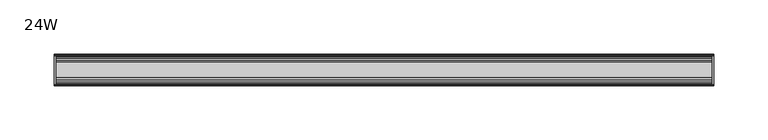
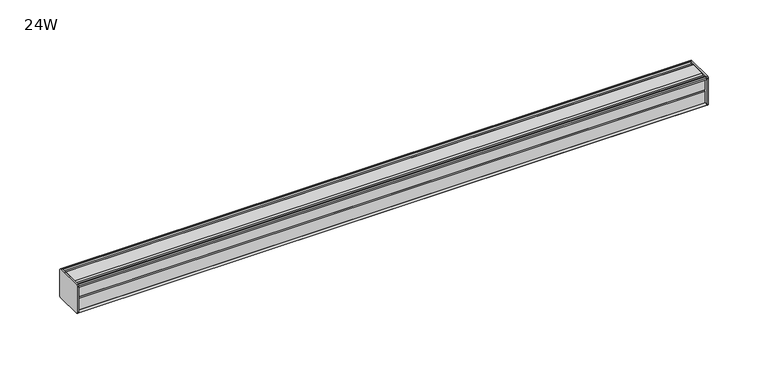
"""IFC4 building model written with IfcOpenShell, lengths in millimetres: furniture geometry, 24W."""

from ifc_helpers import new_model, si_unit, frame, origin, place, context, project, spatial, circle_curve, source, transform, mapped, element, save
from ifc_brep_helpers import plane_surface, cylinder_surface, advanced_brep


def furniture_24w_2cb5860f(model_context):
    return source(origin(), model_context, "Body", "AdvancedBrep", [
        advanced_brep(
        [(303.2125, 14.5851562, 1399.3436262), (303.2125, 14.5851562, 1373.1932877), (303.2125, 14.4138595, 1372.3873997), (303.2125, 13.8374434, 1371.8109837), (303.2125, 12.9019306, 1371.5603131), (303.2125, -13.4067434, 1371.5603131), (303.2125, -14.3040014, 1372.4575711), (303.2125, -14.5851563, 1373.2259798), (303.2125, -14.5851563, 1399.1443327), (303.2125, -14.3040014, 1399.9127414), (303.2125, -13.4464303, 1400.7703125), (303.2125, 13.0500437, 1400.7703125), (303.2125, 13.8374434, 1400.5593288), (303.2125, 14.4138595, 1399.9829128), (304.8, 14.6248431, 1399.1955131), (304.8, 14.4138595, 1399.9829128), (304.8, 13.8374434, 1400.5593288), (304.8, 13.0500437, 1400.7703125), (304.8, -13.4464303, 1400.7703125), (304.8, -14.3040014, 1399.9127414), (304.8, -14.5851563, 1399.1443327), (304.8, -14.5851563, 1373.2259798), (304.8, -14.3040014, 1372.4575711), (304.8, -13.4067434, 1371.5603131), (304.8, 12.9019306, 1371.5603131), (304.8, 13.8374434, 1371.8109837), (304.8, 14.4138595, 1372.3873997), (304.8, 14.5851562, 1373.1932877)],
        [
            (0, 1),
            (1, 2),
            (2, 3),
            (3, 4),
            (4, 5),
            (5, 6),
            (6, 7, circle_curve(frame((303.2125, -13.3945313, 1373.2259798), z_axis=(-1.0, 0.0, 0.0), x_axis=(0.0, 1.0, 0.0)), 1.190625)),
            (7, 8),
            (8, 9, circle_curve(frame((303.2125, -13.3945313, 1399.1443327), z_axis=(-1.0, 0.0, 0.0), x_axis=(0.0, 1.0, 0.0)), 1.190625)),
            (9, 10),
            (10, 11),
            (11, 12),
            (12, 13),
            (13, 0),
            (14, 15),
            (15, 16),
            (16, 17),
            (17, 18),
            (18, 19),
            (19, 20, circle_curve(frame((304.8, -13.3945313, 1399.1443327), z_axis=(1.0, 0.0, 0.0), x_axis=(0.0, 1.0, 0.0)), 1.190625)),
            (20, 21),
            (21, 22, circle_curve(frame((304.8, -13.3945313, 1373.2259798), z_axis=(1.0, 0.0, 0.0), x_axis=(0.0, 1.0, 0.0)), 1.190625)),
            (22, 23),
            (23, 24),
            (24, 25),
            (25, 26),
            (26, 27),
            (27, 14),
            (13, 15),
            (14, 0),
            (12, 16),
            (11, 17),
            (10, 18),
            (9, 19),
            (8, 20),
            (7, 21),
            (6, 22),
            (5, 23),
            (4, 24),
            (3, 25),
            (2, 26),
            (1, 27),
        ],
        [
            plane_surface(frame((303.2125, 14.5851562, 1373.1932877), z_axis=(-1.0, 0.0, 0.0), x_axis=(0.0, 0.0, -1.0))),
            plane_surface(frame((304.8, 14.5851562, 1373.1932877), z_axis=(1.0, 0.0, 0.0), x_axis=(0.0, 0.0, 1.0))),
            plane_surface(frame((303.2125, 14.4138595, 1399.9829128), z_axis=(0.0, 0.9659256560349851, 0.25881968049857335), x_axis=(1.0, 0.0, 0.0))),
            plane_surface(frame((303.2125, 13.8374434, 1400.5593288), z_axis=(0.0, 0.7071067811866345, 0.7071067811864606), x_axis=(1.0, 0.0, 0.0))),
            plane_surface(frame((303.2125, 13.0500437, 1400.7703125), z_axis=(0.0, 0.2588196804711877, 0.9659256560423232), x_axis=(1.0, 0.0, 0.0))),
            plane_surface(frame((303.2125, -13.4464303, 1400.7703125), z_axis=(0.0, 0.0, 1.0), x_axis=(1.0, 0.0, 0.0))),
            plane_surface(frame((303.2125, -14.3040014, 1399.9127414), z_axis=(0.0, -0.70710678117674, 0.7071067811963553), x_axis=(1.0, 0.0, 0.0))),
            cylinder_surface(frame((304.8, -13.3945313, 1399.1443327), z_axis=(-1.0, 0.0, 0.0), x_axis=(0.0, 1.0, 0.0)), 1.190625),
            plane_surface(frame((303.2125, -14.5851563, 1373.2259798), z_axis=(0.0, -1.0, 0.0), x_axis=(1.0, 0.0, 0.0))),
            cylinder_surface(frame((304.8, -13.3945313, 1373.2259798), z_axis=(-1.0, 0.0, 0.0), x_axis=(0.0, 1.0, 0.0)), 1.190625),
            plane_surface(frame((303.2125, -13.4067434, 1371.5603131), z_axis=(0.0, -0.7071067811916545, -0.7071067811814407), x_axis=(1.0, 0.0, 0.0))),
            plane_surface(frame((303.2125, 12.9019306, 1371.5603131), z_axis=(0.0, 0.0, -1.0), x_axis=(1.0, 0.0, 0.0))),
            plane_surface(frame((303.2125, 13.8374434, 1371.8109837), z_axis=(0.0, 0.2588196804985645, -0.9659256560349875), x_axis=(1.0, 0.0, 0.0))),
            plane_surface(frame((303.2125, 14.4138595, 1372.3873997), z_axis=(0.0, 0.7071067811865204, -0.7071067811865748), x_axis=(1.0, 0.0, 0.0))),
            plane_surface(frame((303.2125, 14.5851562, 1373.1932877), z_axis=(0.0, 0.9781476007310527, -0.207911690830711), x_axis=(1.0, 0.0, 0.0))),
            plane_surface(frame((303.2125, 14.5851562, 1399.3436262), z_axis=(0.0, 1.0, 0.0), x_axis=(1.0, 0.0, 0.0))),
        ],
        [
            (0, [[1, 2, 3, 4, 5, 6, 7, 8, 9, 10, 11, 12, 13, 14]]),
            (1, [[15, 16, 17, 18, 19, 20, 21, 22, 23, 24, 25, 26, 27, 28]]),
            (2, [[-14, 29, -15, 30]]),
            (3, [[-13, 31, -16, -29]]),
            (4, [[-12, 32, -17, -31]]),
            (5, [[-11, 33, -18, -32]]),
            (6, [[-10, 34, -19, -33]]),
            (7, [[-9, 35, -20, -34]]),
            (8, [[-8, 36, -21, -35]]),
            (9, [[-7, 37, -22, -36]]),
            (10, [[-6, 38, -23, -37]]),
            (11, [[-5, 39, -24, -38]]),
            (12, [[-4, 40, -25, -39]]),
            (13, [[-3, 41, -26, -40]]),
            (14, [[-2, 42, -27, -41]]),
            (15, [[-1, -30, -28, -42]]),
        ],
    ),
        advanced_brep(
        [(-303.2125, 14.6248431, 1399.1955131), (-303.2125, 14.4138595, 1399.9829128), (-303.2125, 13.8374434, 1400.5593288), (-303.2125, 13.0500437, 1400.7703125), (-303.2125, -13.4464303, 1400.7703125), (-303.2125, -14.3040014, 1399.9127414), (-303.2125, -14.5851563, 1399.1443327), (-303.2125, -14.5851563, 1373.2259798), (-303.2125, -14.3040014, 1372.4575711), (-303.2125, -13.4067434, 1371.5603131), (-303.2125, 12.9019306, 1371.5603131), (-303.2125, 13.8374434, 1371.8109837), (-303.2125, 14.4138595, 1372.3873997), (-303.2125, 14.5851562, 1373.1932877), (-304.8, 14.5851562, 1399.3436262), (-304.8, 14.5851562, 1373.1932877), (-304.8, 14.4138595, 1372.3873997), (-304.8, 13.8374434, 1371.8109837), (-304.8, 12.9019306, 1371.5603131), (-304.8, -13.4067434, 1371.5603131), (-304.8, -14.3040014, 1372.4575711), (-304.8, -14.5851563, 1373.2259798), (-304.8, -14.5851563, 1399.1443327), (-304.8, -14.3040014, 1399.9127414), (-304.8, -13.4464303, 1400.7703125), (-304.8, 13.0500437, 1400.7703125), (-304.8, 13.8374434, 1400.5593288), (-304.8, 14.4138595, 1399.9829128)],
        [
            (0, 1),
            (1, 2),
            (2, 3),
            (3, 4),
            (4, 5),
            (5, 6, circle_curve(frame((-303.2125, -13.3945313, 1399.1443327), z_axis=(1.0, 0.0, 0.0), x_axis=(0.0, 1.0, 0.0)), 1.190625)),
            (6, 7),
            (7, 8, circle_curve(frame((-303.2125, -13.3945313, 1373.2259798), z_axis=(1.0, 0.0, 0.0), x_axis=(0.0, 1.0, 0.0)), 1.190625)),
            (8, 9),
            (9, 10),
            (10, 11),
            (11, 12),
            (12, 13),
            (13, 0),
            (14, 15),
            (15, 16),
            (16, 17),
            (17, 18),
            (18, 19),
            (19, 20),
            (20, 21, circle_curve(frame((-304.8, -13.3945313, 1373.2259798), z_axis=(-1.0, 0.0, 0.0), x_axis=(0.0, 1.0, 0.0)), 1.190625)),
            (21, 22),
            (22, 23, circle_curve(frame((-304.8, -13.3945313, 1399.1443327), z_axis=(-1.0, 0.0, 0.0), x_axis=(0.0, 1.0, 0.0)), 1.190625)),
            (23, 24),
            (24, 25),
            (25, 26),
            (26, 27),
            (27, 14),
            (0, 14),
            (27, 1),
            (26, 2),
            (25, 3),
            (24, 4),
            (23, 5),
            (22, 6),
            (21, 7),
            (20, 8),
            (19, 9),
            (18, 10),
            (17, 11),
            (16, 12),
            (15, 13),
        ],
        [
            plane_surface(frame((-303.2125, 14.6248431, 1399.1955131), z_axis=(1.0, 0.0, 0.0), x_axis=(0.0, -0.2588196804390474, 0.965925656050935))),
            plane_surface(frame((-304.8, 14.6248431, 1399.1955131), z_axis=(-1.0, 0.0, 0.0), x_axis=(0.0, 0.2588196804390474, -0.965925656050935))),
            plane_surface(frame((-303.2125, 14.6248431, 1399.1955131), z_axis=(0.0, 0.965925656050935, 0.2588196804390474), x_axis=(-1.0, 0.0, 0.0))),
            plane_surface(frame((-303.2125, 14.4138595, 1399.9829128), z_axis=(0.0, 0.7071067810676273, 0.7071067813054679), x_axis=(-1.0, 0.0, 0.0))),
            plane_surface(frame((-303.2125, 13.8374434, 1400.5593288), z_axis=(0.0, 0.25881968048355775, 0.9659256560390086), x_axis=(-1.0, 0.0, 0.0))),
            plane_surface(frame((-303.2125, 13.0500437, 1400.7703125), z_axis=(0.0, 0.0, 1.0), x_axis=(-1.0, 0.0, 0.0))),
            plane_surface(frame((-303.2125, -13.4464303, 1400.7703125), z_axis=(0.0, -0.7071067811880228, 0.7071067811850722), x_axis=(-1.0, 0.0, 0.0))),
            cylinder_surface(frame((-304.8, -13.3945313, 1399.1443327), z_axis=(1.0, 0.0, 0.0), x_axis=(0.0, 1.0, 0.0)), 1.190625),
            plane_surface(frame((-303.2125, -14.5851563, 1399.1443327), z_axis=(0.0, -1.0, 0.0), x_axis=(-1.0, 0.0, 0.0))),
            cylinder_surface(frame((-304.8, -13.3945313, 1373.2259798), z_axis=(1.0, 0.0, 0.0), x_axis=(0.0, 1.0, 0.0)), 1.190625),
            plane_surface(frame((-303.2125, -14.3040014, 1372.4575711), z_axis=(0.0, -0.707106781186535, -0.7071067811865601), x_axis=(-1.0, 0.0, 0.0))),
            plane_surface(frame((-303.2125, -13.4067434, 1371.5603131), z_axis=(0.0, 0.0, -1.0), x_axis=(-1.0, 0.0, 0.0))),
            plane_surface(frame((-303.2125, 12.9019306, 1371.5603131), z_axis=(0.0, 0.25881968049856513, -0.9659256560349874), x_axis=(-1.0, 0.0, 0.0))),
            plane_surface(frame((-303.2125, 13.8374434, 1371.8109837), z_axis=(0.0, 0.707106781186519, -0.7071067811865761), x_axis=(-1.0, 0.0, 0.0))),
            plane_surface(frame((-303.2125, 14.4138595, 1372.3873997), z_axis=(0.0, 0.9781476007314348, -0.20791169082891317), x_axis=(-1.0, 0.0, 0.0))),
            plane_surface(frame((-303.2125, 14.5851562, 1373.1932877), z_axis=(0.0, 1.0, 0.0), x_axis=(-1.0, 0.0, 0.0))),
        ],
        [
            (0, [[1, 2, 3, 4, 5, 6, 7, 8, 9, 10, 11, 12, 13, 14]]),
            (1, [[15, 16, 17, 18, 19, 20, 21, 22, 23, 24, 25, 26, 27, 28]]),
            (2, [[-1, 29, -28, 30]]),
            (3, [[-2, -30, -27, 31]]),
            (4, [[-3, -31, -26, 32]]),
            (5, [[-4, -32, -25, 33]]),
            (6, [[-5, -33, -24, 34]]),
            (7, [[-6, -34, -23, 35]]),
            (8, [[-7, -35, -22, 36]]),
            (9, [[-8, -36, -21, 37]]),
            (10, [[-9, -37, -20, 38]]),
            (11, [[-10, -38, -19, 39]]),
            (12, [[-11, -39, -18, 40]]),
            (13, [[-12, -40, -17, 41]]),
            (14, [[-13, -41, -16, 42]]),
            (15, [[-14, -42, -15, -29]]),
        ],
    ),
        advanced_brep(
        [(303.2125, -7.3748315, 1400.7703125), (303.2125, -8.9105708, 1399.7395796), (303.2125, -10.7601399, 1399.7395796), (303.2125, -12.2958792, 1400.7703125), (303.2125, -13.4464303, 1400.7703125), (303.2125, -14.3040014, 1399.9127414), (303.2125, -13.3945313, 1397.9537077), (303.2125, -13.3945313, 1398.865312), (303.2125, -12.2039063, 1398.865312), (303.2125, -12.2039063, 1386.9590632), (303.2125, -11.4101564, 1386.1653134), (303.2125, -12.2039063, 1385.3715636), (303.2125, -12.2039063, 1373.4653131), (303.2125, -13.3945313, 1373.4653131), (303.2125, -13.3945313, 1374.4166048), (303.2125, -14.3040014, 1372.4575711), (303.2125, -13.4067434, 1371.5603131), (303.2125, -12.2958792, 1371.5603131), (303.2125, -10.7601399, 1372.5910471), (303.2125, -8.9105708, 1372.5910471), (303.2125, -7.4339628, 1371.6), (303.2125, 7.4145184, 1371.6), (303.2125, 8.9502576, 1372.6307329), (303.2125, 10.7998291, 1372.6307329), (303.2125, 12.2275037, 1371.6), (303.2125, 13.0500437, 1371.6), (303.2125, 13.8374434, 1371.8109837), (303.2125, 14.4138595, 1372.3873997), (303.2125, 14.5851562, 1373.1932877), (303.2125, 14.5851562, 1399.3436262), (303.2125, 14.4138595, 1399.9829128), (303.2125, 13.8374434, 1400.5593288), (303.2125, 13.0500437, 1400.7703125), (303.2125, 12.2275037, 1400.7703125), (303.2125, 10.7998291, 1399.7395796), (303.2125, 8.9502576, 1399.7395796), (303.2125, 7.4145184, 1400.7703125), (-303.2125, -7.3748315, 1400.7703125), (-303.2125, 7.4145184, 1400.7703125), (-303.2125, 8.9502576, 1399.7395796), (-303.2125, 10.7998291, 1399.7395796), (-303.2125, 12.2275037, 1400.7703125), (-303.2125, 13.0500437, 1400.7703125), (-303.2125, 13.8374434, 1400.5593288), (-303.2125, 14.4138595, 1399.9829128), (-303.2125, 14.6248431, 1399.1955131), (-303.2125, 14.5851562, 1373.1932877), (-303.2125, 14.4138595, 1372.3873997), (-303.2125, 13.8374434, 1371.8109837), (-303.2125, 13.0500437, 1371.6), (-303.2125, 12.2275037, 1371.6), (-303.2125, 10.7998291, 1372.6307329), (-303.2125, 8.9502576, 1372.6307329), (-303.2125, 7.4145184, 1371.6), (-303.2125, -7.4339628, 1371.6), (-303.2125, -8.9105708, 1372.5910471), (-303.2125, -10.7601399, 1372.5910471), (-303.2125, -12.2958792, 1371.5603131), (-303.2125, -13.4067434, 1371.5603131), (-303.2125, -14.3040014, 1372.4575711), (-303.2125, -13.3945313, 1374.4166048), (-303.2125, -13.3945313, 1373.4653131), (-303.2125, -12.2039063, 1373.4653131), (-303.2125, -12.2039063, 1385.3715636), (-303.2125, -11.4101564, 1386.1653134), (-303.2125, -12.2039063, 1386.9590632), (-303.2125, -12.2039063, 1398.865312), (-303.2125, -13.3945313, 1398.865312), (-303.2125, -13.3945313, 1397.9537077), (-303.2125, -14.3040014, 1399.9127414), (-303.2125, -13.4464303, 1400.7703125), (-303.2125, -12.2958792, 1400.7703125), (-303.2125, -10.7601399, 1399.7395796), (-303.2125, -8.9105708, 1399.7395796)],
        [
            (0, 1),
            (1, 2),
            (2, 3),
            (3, 4),
            (4, 5),
            (5, 6, circle_curve(frame((303.2125, -13.3945313, 1399.1443327), z_axis=(1.0, 0.0, 0.0), x_axis=(0.0, 1.0, 0.0)), 1.190625)),
            (6, 7),
            (7, 8),
            (8, 9),
            (9, 10),
            (10, 11),
            (11, 12),
            (12, 13),
            (13, 14),
            (14, 15, circle_curve(frame((303.2125, -13.3945313, 1373.2259798), z_axis=(1.0, 0.0, 0.0), x_axis=(0.0, 1.0, 0.0)), 1.190625)),
            (15, 16),
            (16, 17),
            (17, 18),
            (18, 19),
            (19, 20),
            (20, 21),
            (21, 22),
            (22, 23),
            (23, 24),
            (24, 25),
            (25, 26),
            (26, 27),
            (27, 28),
            (28, 29),
            (29, 30),
            (30, 31),
            (31, 32),
            (32, 33),
            (33, 34),
            (34, 35),
            (35, 36),
            (36, 0),
            (37, 38),
            (38, 39),
            (39, 40),
            (40, 41),
            (41, 42),
            (42, 43),
            (43, 44),
            (44, 45),
            (45, 46),
            (46, 47),
            (47, 48),
            (48, 49),
            (49, 50),
            (50, 51),
            (51, 52),
            (52, 53),
            (53, 54),
            (54, 55),
            (55, 56),
            (56, 57),
            (57, 58),
            (58, 59),
            (59, 60, circle_curve(frame((-303.2125, -13.3945313, 1373.2259798), z_axis=(-1.0, 0.0, 0.0), x_axis=(0.0, 1.0, 0.0)), 1.190625)),
            (60, 61),
            (61, 62),
            (62, 63),
            (63, 64),
            (64, 65),
            (65, 66),
            (66, 67),
            (67, 68),
            (68, 69, circle_curve(frame((-303.2125, -13.3945313, 1399.1443327), z_axis=(-1.0, 0.0, 0.0), x_axis=(0.0, 1.0, 0.0)), 1.190625)),
            (69, 70),
            (70, 71),
            (71, 72),
            (72, 73),
            (73, 37),
            (0, 37),
            (73, 1),
            (72, 2),
            (71, 3),
            (70, 4),
            (69, 5),
            (68, 6),
            (67, 7),
            (66, 8),
            (65, 9),
            (64, 10),
            (63, 11),
            (62, 12),
            (61, 13),
            (60, 14),
            (59, 15),
            (58, 16),
            (57, 17),
            (56, 18),
            (55, 19),
            (54, 20),
            (53, 21),
            (52, 22),
            (51, 23),
            (50, 24),
            (49, 25),
            (48, 26),
            (47, 27),
            (46, 28),
            (45, 29),
            (44, 30),
            (43, 31),
            (42, 32),
            (41, 33),
            (40, 34),
            (39, 35),
            (38, 36),
        ],
        [
            plane_surface(frame((303.2125, -7.3748315, 1400.7703125), z_axis=(1.0, 0.0, 0.0), x_axis=(0.0, -0.8303227972604666, -0.5572827400427488))),
            plane_surface(frame((-303.2125, -7.3748315, 1400.7703125), z_axis=(-1.0, 0.0, 0.0), x_axis=(0.0, 0.8303227972604666, 0.5572827400427488))),
            plane_surface(frame((303.2125, -7.3748315, 1400.7703125), z_axis=(0.0, -0.5572827400427488, 0.8303227972604666), x_axis=(-1.0, 0.0, 0.0))),
            plane_surface(frame((303.2125, -8.9105708, 1399.7395796), z_axis=(0.0, 0.0, 1.0), x_axis=(-1.0, 0.0, 0.0))),
            plane_surface(frame((303.2125, -10.7601399, 1399.7395796), z_axis=(0.0, 0.5572827400427491, 0.8303227972604665), x_axis=(-1.0, 0.0, 0.0))),
            plane_surface(frame((303.2125, -12.2958792, 1400.7703125), z_axis=(0.0, 0.0, 1.0), x_axis=(-1.0, 0.0, 0.0))),
            plane_surface(frame((303.2125, -13.4464303, 1400.7703125), z_axis=(0.0, -0.7071067811810978, 0.7071067811919972), x_axis=(-1.0, 0.0, 0.0))),
            cylinder_surface(frame((-303.2125, -13.3945313, 1399.1443327), z_axis=(1.0, 0.0, 0.0), x_axis=(0.0, 1.0, 0.0)), 1.190625),
            plane_surface(frame((303.2125, -13.3945313, 1397.9537077), z_axis=(0.0, 1.0, 0.0), x_axis=(-1.0, 0.0, 0.0))),
            plane_surface(frame((303.2125, -13.3945313, 1398.865312), z_axis=(0.0, 0.0, -1.0), x_axis=(-1.0, 0.0, 0.0))),
            plane_surface(frame((303.2125, -12.2039063, 1398.865312), z_axis=(0.0, -1.0, 0.0), x_axis=(-1.0, 0.0, 0.0))),
            plane_surface(frame((303.2125, -12.2039063, 1386.9590632), z_axis=(0.0, -0.7071067811865155, -0.7071067811865795), x_axis=(-1.0, 0.0, 0.0))),
            plane_surface(frame((303.2125, -11.4101564, 1386.1653134), z_axis=(0.0, -0.7071067811865522, 0.7071067811865428), x_axis=(-1.0, 0.0, 0.0))),
            plane_surface(frame((303.2125, -12.2039063, 1385.3715636), z_axis=(0.0, -1.0, 0.0), x_axis=(-1.0, 0.0, 0.0))),
            plane_surface(frame((303.2125, -12.2039063, 1373.4653131), z_axis=(0.0, 0.0, 1.0), x_axis=(-1.0, 0.0, 0.0))),
            plane_surface(frame((303.2125, -13.3945313, 1373.4653131), z_axis=(0.0, 1.0, 0.0), x_axis=(-1.0, 0.0, 0.0))),
            cylinder_surface(frame((-303.2125, -13.3945313, 1373.2259798), z_axis=(1.0, 0.0, 0.0), x_axis=(0.0, 1.0, 0.0)), 1.190625),
            plane_surface(frame((303.2125, -14.3040014, 1372.4575711), z_axis=(0.0, -0.7071067811865884, -0.7071067811865067), x_axis=(-1.0, 0.0, 0.0))),
            plane_surface(frame((303.2125, -13.4067434, 1371.5603131), z_axis=(0.0, 0.0, -1.0), x_axis=(-1.0, 0.0, 0.0))),
            plane_surface(frame((303.2125, -12.2958792, 1371.5603131), z_axis=(0.0, 0.5572831632988446, -0.8303225131860712), x_axis=(-1.0, 0.0, 0.0))),
            plane_surface(frame((303.2125, -10.7601399, 1372.5910471), z_axis=(0.0, 0.0, -1.0), x_axis=(-1.0, 0.0, 0.0))),
            plane_surface(frame((303.2125, -8.9105708, 1372.5910471), z_axis=(0.0, -0.5572831633038827, -0.8303225131826898), x_axis=(-1.0, 0.0, 0.0))),
            plane_surface(frame((303.2125, -7.4339628, 1371.6), z_axis=(0.0, 0.0, -1.0), x_axis=(-1.0, 0.0, 0.0))),
            plane_surface(frame((303.2125, 7.4145184, 1371.6), z_axis=(0.0, 0.5572827400524372, -0.8303227972539643), x_axis=(-1.0, 0.0, 0.0))),
            plane_surface(frame((303.2125, 8.9502576, 1372.6307329), z_axis=(0.0, 0.0, -1.0), x_axis=(-1.0, 0.0, 0.0))),
            plane_surface(frame((303.2125, 10.7998291, 1372.6307329), z_axis=(0.0, -0.5853541342124147, -0.8107777362264177), x_axis=(-1.0, 0.0, 0.0))),
            plane_surface(frame((303.2125, 12.2275037, 1371.6), z_axis=(0.0, 0.0, -1.0), x_axis=(-1.0, 0.0, 0.0))),
            plane_surface(frame((303.2125, 13.0500437, 1371.6), z_axis=(0.0, 0.2588196804985639, -0.9659256560349877), x_axis=(-1.0, 0.0, 0.0))),
            plane_surface(frame((303.2125, 13.8374434, 1371.8109837), z_axis=(0.0, 0.7071067811865592, -0.7071067811865358), x_axis=(-1.0, 0.0, 0.0))),
            plane_surface(frame((303.2125, 14.4138595, 1372.3873997), z_axis=(0.0, 0.9781476007314349, -0.20791169082891267), x_axis=(-1.0, 0.0, 0.0))),
            plane_surface(frame((303.2125, 14.5851562, 1373.1932877), z_axis=(0.0, 1.0, 0.0), x_axis=(-1.0, 0.0, 0.0))),
            plane_surface(frame((303.2125, 14.6248431, 1399.1955131), z_axis=(0.0, 0.9659256560510463, 0.25881968043863257), x_axis=(-1.0, 0.0, 0.0))),
            plane_surface(frame((303.2125, 14.4138595, 1399.9829128), z_axis=(0.0, 0.707106781066662, 0.707106781306433), x_axis=(-1.0, 0.0, 0.0))),
            plane_surface(frame((303.2125, 13.8374434, 1400.5593288), z_axis=(0.0, 0.25881968048369114, 0.9659256560389728), x_axis=(-1.0, 0.0, 0.0))),
            plane_surface(frame((303.2125, 13.0500437, 1400.7703125), z_axis=(0.0, 0.0, 1.0), x_axis=(-1.0, 0.0, 0.0))),
            plane_surface(frame((303.2125, 12.2275037, 1400.7703125), z_axis=(0.0, -0.5853541342075637, 0.8107777362299199), x_axis=(-1.0, 0.0, 0.0))),
            plane_surface(frame((303.2125, 10.7998291, 1399.7395796), z_axis=(0.0, 0.0, 1.0), x_axis=(-1.0, 0.0, 0.0))),
            plane_surface(frame((303.2125, 8.9502576, 1399.7395796), z_axis=(0.0, 0.5572827400427491, 0.8303227972604665), x_axis=(-1.0, 0.0, 0.0))),
            plane_surface(frame((303.2125, 7.4145184, 1400.7703125), z_axis=(0.0, 0.0, 1.0), x_axis=(-1.0, 0.0, 0.0))),
        ],
        [
            (0, [[1, 2, 3, 4, 5, 6, 7, 8, 9, 10, 11, 12, 13, 14, 15, 16, 17, 18, 19, 20, 21, 22, 23, 24, 25, 26, 27, 28, 29, 30, 31, 32, 33, 34, 35, 36, 37]]),
            (1, [[38, 39, 40, 41, 42, 43, 44, 45, 46, 47, 48, 49, 50, 51, 52, 53, 54, 55, 56, 57, 58, 59, 60, 61, 62, 63, 64, 65, 66, 67, 68, 69, 70, 71, 72, 73, 74]]),
            (2, [[-1, 75, -74, 76]]),
            (3, [[-2, -76, -73, 77]]),
            (4, [[-3, -77, -72, 78]]),
            (5, [[-4, -78, -71, 79]]),
            (6, [[-5, -79, -70, 80]]),
            (7, [[-6, -80, -69, 81]]),
            (8, [[-7, -81, -68, 82]]),
            (9, [[-8, -82, -67, 83]]),
            (10, [[-9, -83, -66, 84]]),
            (11, [[-10, -84, -65, 85]]),
            (12, [[-11, -85, -64, 86]]),
            (13, [[-12, -86, -63, 87]]),
            (14, [[-13, -87, -62, 88]]),
            (15, [[-14, -88, -61, 89]]),
            (16, [[-15, -89, -60, 90]]),
            (17, [[-16, -90, -59, 91]]),
            (18, [[-17, -91, -58, 92]]),
            (19, [[-18, -92, -57, 93]]),
            (20, [[-19, -93, -56, 94]]),
            (21, [[-20, -94, -55, 95]]),
            (22, [[-21, -95, -54, 96]]),
            (23, [[-22, -96, -53, 97]]),
            (24, [[-23, -97, -52, 98]]),
            (25, [[-24, -98, -51, 99]]),
            (26, [[-25, -99, -50, 100]]),
            (27, [[-26, -100, -49, 101]]),
            (28, [[-27, -101, -48, 102]]),
            (29, [[-28, -102, -47, 103]]),
            (30, [[-29, -103, -46, 104]]),
            (31, [[-30, -104, -45, 105]]),
            (32, [[-31, -105, -44, 106]]),
            (33, [[-32, -106, -43, 107]]),
            (34, [[-33, -107, -42, 108]]),
            (35, [[-34, -108, -41, 109]]),
            (36, [[-35, -109, -40, 110]]),
            (37, [[-36, -110, -39, 111]]),
            (38, [[-37, -111, -38, -75]]),
        ],
    ),
    ])


if __name__ == "__main__":
    model = new_model("IFC4")
    model_context = context("Model", 3, world=origin())
    ifc_project = project(units=[si_unit("LENGTHUNIT", "METRE", prefix="MILLI")], contexts=[model_context])
    site = spatial("IfcSite", under=ifc_project)
    building = spatial("IfcBuilding", under=site)
    placement = place(None, origin())
    furniture_24w_shape = furniture_24w_2cb5860f(model_context)
    element("IfcFurniture", 1, ObjectType="24W", at=placement, inside=building, context=model_context, shape_type="MappedRepresentation", body=[
        mapped(furniture_24w_shape, transform((0.0, 0.0, 0.0), x_axis=(1.0, 0.0, 0.0), y_axis=(0.0, 1.0, 0.0), z_axis=(0.0, 0.0, 1.0))),
    ])
    save(model, "model.ifc")
